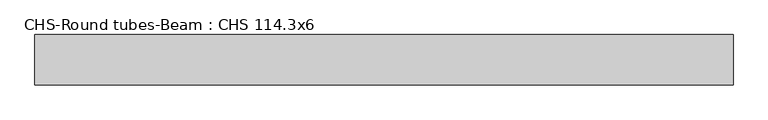
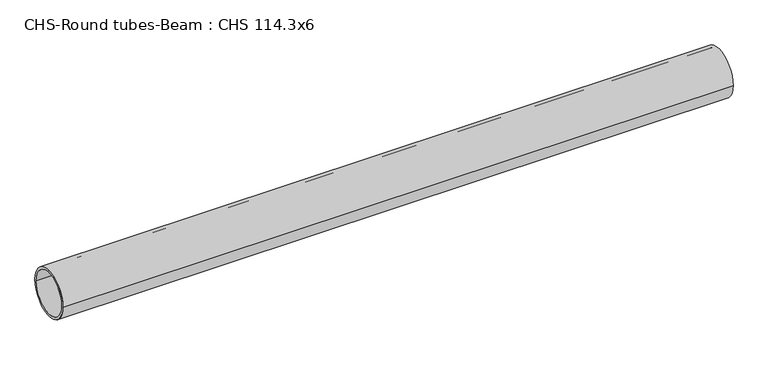
"""IFC4 building model written with IfcOpenShell, lengths in millimetres: beam geometry, CHS-Round tubes-Beam : CHS 114.3x6."""

from ifc_helpers import new_model, si_unit, point, frame, origin, origin_2d, place, context, project, spatial, circle_curve, trimmed, segment, composite_curve, outline, extrude, source, transform, mapped, element, save


def chs_round_tubes_beam_chs_114_3x6_f99df883(model_context):
    return source(origin(), model_context, "Body", "SweptSolid", [
        extrude(outline(composite_curve([segment(trimmed(circle_curve(origin_2d(), 57.15), [point((57.15, 0.0))], [point((-57.15, 0.0))], False, "CARTESIAN"), True, "CONTINUOUS"), segment(trimmed(circle_curve(origin_2d(), 57.15), [point((-57.15, 0.0))], [point((57.15, 0.0))], False, "CARTESIAN"), True, "CONTINUOUS")], self_intersect=False), holes=[composite_curve([segment(trimmed(circle_curve(origin_2d(), 51.15), [point((51.15, 0.0))], [point((-51.15, 0.0))], True, "CARTESIAN"), True, "CONTINUOUS"), segment(trimmed(circle_curve(origin_2d(), 51.15), [point((-51.15, 0.0))], [point((51.15, 0.0))], True, "CARTESIAN"), True, "CONTINUOUS")], self_intersect=False)]), frame((-785.7855222, 0.0, 0.0), z_axis=(1.0, 0.0, 0.0), x_axis=(0.0, 1.0, 0.0)), (0.0, 0.0, 1.0), 1583.0606506),
    ])


if __name__ == "__main__":
    model = new_model("IFC4")
    model_context = context("Model", 3, world=origin())
    ifc_project = project(units=[si_unit("LENGTHUNIT", "METRE", prefix="MILLI")], contexts=[model_context])
    site = spatial("IfcSite", under=ifc_project)
    building = spatial("IfcBuilding", under=site)
    placement = place(None, origin())
    chs_round_tubes_beam_chs_114_3x6_shape = chs_round_tubes_beam_chs_114_3x6_f99df883(model_context)
    element("IfcBeam", 1, ObjectType="CHS-Round tubes-Beam : CHS 114.3x6", at=placement, inside=building, context=model_context, shape_type="MappedRepresentation", body=[
        mapped(chs_round_tubes_beam_chs_114_3x6_shape, transform((0.0, 0.0, 0.0), x_axis=(1.0, 0.0, 0.0), y_axis=(0.0, 1.0, 0.0), z_axis=(0.0, 0.0, 1.0))),
    ])
    save(model, "model.ifc")
